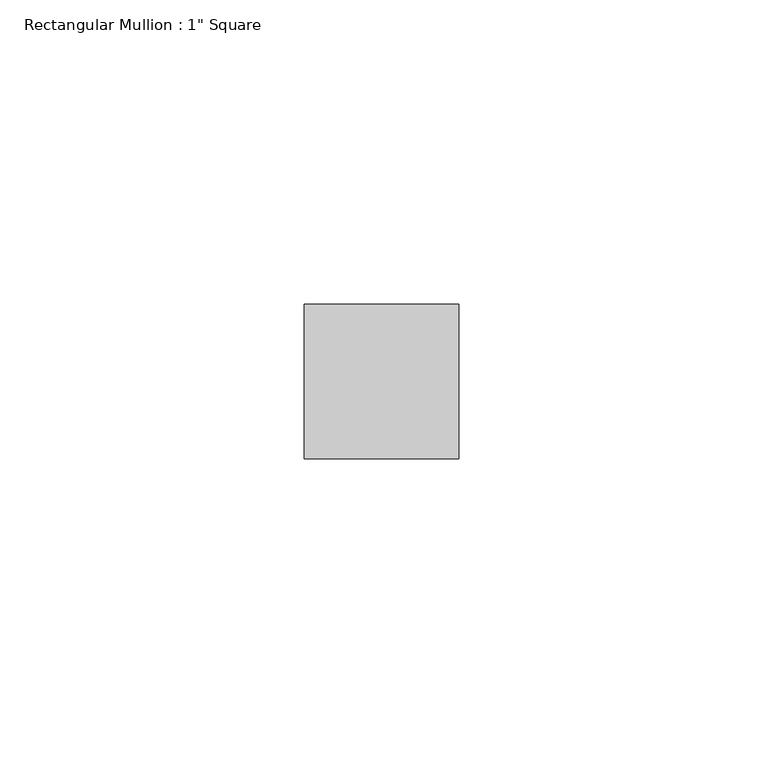
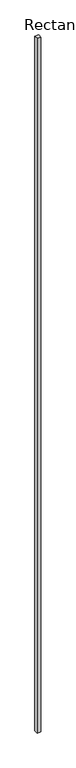
"""IFC4 building model written with IfcOpenShell, lengths in millimetres: member geometry."""

from ifc_helpers import new_model, si_unit, frame, origin, place, context, project, spatial, polyline, outline, extrude, source, transform, mapped, element, save


def member_31f77144(model_context):
    return source(origin(), model_context, "Body", "SweptSolid", [
        extrude(outline(polyline([(12.7, 12.7), (12.7, -12.7), (-12.7, -12.7), (-12.7, 12.7), (12.7, 12.7)])), frame((0.0, 0.0, -4876.8), z_axis=(0.0, 0.0, 1.0), x_axis=(1.0, 0.0, 0.0)), (0.0, 0.0, 1.0), 4876.8),
    ])


if __name__ == "__main__":
    model = new_model("IFC4")
    model_context = context("Model", 3, world=origin())
    ifc_project = project(units=[si_unit("LENGTHUNIT", "METRE", prefix="MILLI")], contexts=[model_context])
    site = spatial("IfcSite", under=ifc_project)
    building = spatial("IfcBuilding", under=site)
    placement = place(None, origin())
    member_shape = member_31f77144(model_context)
    element("IfcMember", 1, ObjectType="Rectangular Mullion : 1\" Square", at=placement, inside=building, context=model_context, shape_type="MappedRepresentation", body=[
        mapped(member_shape, transform((0.0, 0.0, 0.0), x_axis=(1.0, 0.0, 0.0), y_axis=(0.0, 1.0, 0.0), z_axis=(0.0, 0.0, 1.0))),
    ])
    save(model, "model.ifc")
